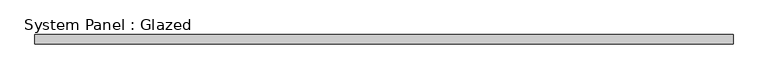
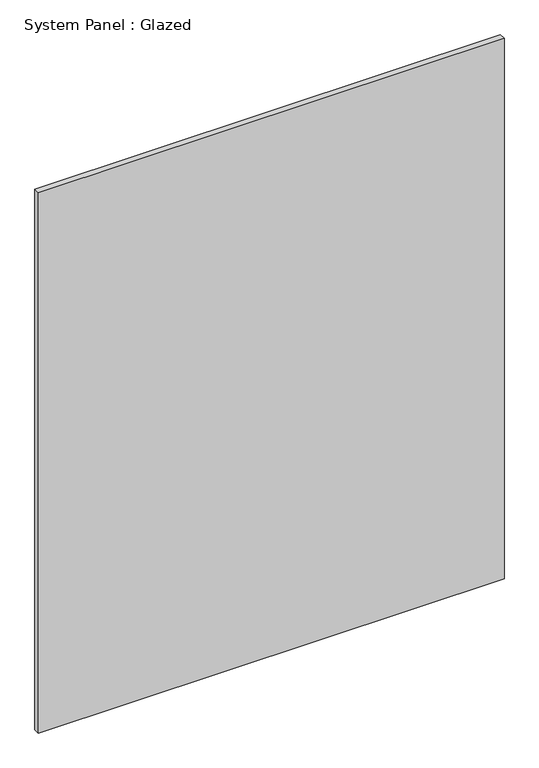
"""IFC4 building model written with IfcOpenShell, lengths in millimetres: plate geometry, System Panel : Glazed."""

from ifc_helpers import new_model, si_unit, origin, origin_with_axes, place, context, project, spatial, polyline, outline, extrude, source, transform, mapped, element, save


def system_panel_glazed_ab07c65e(model_context):
    return source(origin(), model_context, "Body", "SweptSolid", [
        extrude(outline(polyline([(952.5, 19.05), (-952.5, 19.05), (-952.5, 44.45), (952.5, 44.45), (952.5, 19.05)])), origin_with_axes(), (0.0, 0.0, 1.0), 2338.1426667),
    ])


if __name__ == "__main__":
    model = new_model("IFC4")
    model_context = context("Model", 3, world=origin())
    ifc_project = project(units=[si_unit("LENGTHUNIT", "METRE", prefix="MILLI")], contexts=[model_context])
    site = spatial("IfcSite", under=ifc_project)
    building = spatial("IfcBuilding", under=site)
    placement = place(None, origin())
    system_panel_glazed_shape = system_panel_glazed_ab07c65e(model_context)
    element("IfcPlate", 1, ObjectType="System Panel : Glazed", at=placement, inside=building, context=model_context, shape_type="MappedRepresentation", body=[
        mapped(system_panel_glazed_shape, transform((0.0, 0.0, 0.0), x_axis=(1.0, 0.0, 0.0), y_axis=(0.0, 1.0, 0.0), z_axis=(0.0, 0.0, 1.0))),
    ])
    save(model, "model.ifc")
